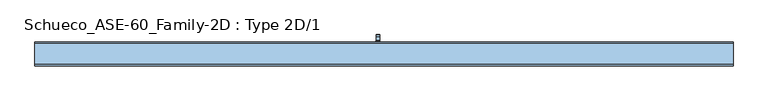
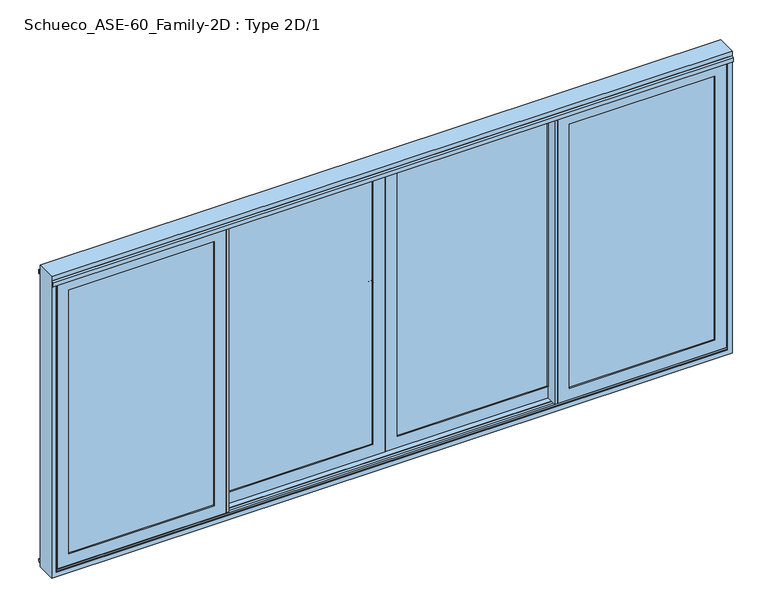
"""IFC4 building model written with IfcOpenShell, lengths in millimetres: window geometry, Schueco_ASE-60_Family-2D : Type 2D/1."""

from ifc_helpers import new_model, si_unit, point, frame, frame_2d, origin, origin_with_axes, place, context, project, spatial, polyline, circle_curve, trimmed, segment, composite_curve, outline, extrude, faceted_brep, source, transform, mapped, element, save
from ifc_brep_helpers import plane_surface, cylinder_surface, revolved_surface, advanced_brep


def schueco_ase_60_family_2d_type_2d_1_142b8bd9(model_context):
    return source(origin(), model_context, "Body", "SolidModel", [
        advanced_brep(
        [(-30.25, 121.9999695, 999.005052), (-54.25, 121.9999695, 999.005052), (-54.25, 121.9999695, 1224.2360009), (-30.25, 121.9999695, 1224.2360009), (-30.25, 73.9999695, 999.005052), (-54.25, 73.9999695, 999.005052), (-30.25, 109.9999695, 999.005052), (-54.25, 109.9999695, 999.005052), (-54.25, 109.9999695, 1214.6494011), (-54.25, 102.6493095, 1222.000061), (-54.25, 81.9999695, 1222.000061), (-54.25, 79.9999695, 1224.000061), (-54.25, 79.9999695, 1235.000061), (-54.25, 81.9999695, 1237.000061), (-54.25, 109.2359094, 1237.000061), (-54.25, 110.6501229, 1236.4142746), (-54.25, 121.414183, 1225.6502145), (-30.25, 121.414183, 1225.6502145), (-30.25, 110.6501229, 1236.4142746), (-30.25, 109.2359094, 1237.000061), (-30.25, 81.9999695, 1237.000061), (-30.25, 79.9999695, 1235.000061), (-30.25, 79.9999695, 1224.000061), (-30.25, 81.9999695, 1222.000061), (-30.25, 102.6493095, 1222.000061), (-30.25, 109.9999695, 1214.6494011)],
        [
            (0, 1, circle_curve(frame((-42.25, 121.9999695, 999.005052), z_axis=(0.0, 1.0, 0.0), x_axis=(-1.0000000000000009, 0.0, 0.0)), 12.0)),
            (1, 2),
            (2, 3),
            (3, 0),
            (4, 5, circle_curve(frame((-42.25, 73.9999695, 999.005052), z_axis=(0.0, -1.0, 0.0), x_axis=(-1.0000000000000009, 0.0, 0.0)), 12.0)),
            (5, 4, circle_curve(frame((-42.25, 73.9999695, 999.005052), z_axis=(0.0, -1.0, 0.0), x_axis=(-1.0000000000000009, 0.0, 0.0)), 12.0)),
            (0, 6),
            (6, 4),
            (5, 7),
            (7, 1),
            (6, 7, circle_curve(frame((-42.25, 109.9999695, 999.005052), z_axis=(0.0, -1.0, 0.0), x_axis=(-1.0000000000000009, 0.0, 0.0)), 12.0)),
            (7, 8),
            (8, 9, circle_curve(frame((-54.25, 102.6493095, 1214.6494011), z_axis=(1.0, 0.0, 0.0), x_axis=(0.0, 0.0, -1.0)), 7.35066)),
            (9, 10),
            (10, 11, circle_curve(frame((-54.25, 81.9999695, 1224.000061), z_axis=(-1.0, 0.0, 0.0), x_axis=(0.0, 0.0, -1.0)), 2.0)),
            (11, 12),
            (12, 13, circle_curve(frame((-54.25, 81.9999695, 1235.000061), z_axis=(-1.0, 0.0, 0.0), x_axis=(0.0, 0.0, -1.0)), 2.0)),
            (13, 14),
            (14, 15, circle_curve(frame((-54.25, 109.2359094, 1235.000061), z_axis=(-1.0, 0.0, 0.0), x_axis=(0.0, 0.0, -1.0)), 2.0)),
            (15, 16),
            (16, 2, circle_curve(frame((-54.25, 119.9999695, 1224.2360009), z_axis=(-1.0, 0.0, 0.0), x_axis=(0.0, 0.0, -1.0)), 2.0)),
            (3, 17, circle_curve(frame((-30.25, 119.9999695, 1224.2360009), z_axis=(1.0, 0.0, 0.0), x_axis=(0.0, 0.0, -1.0)), 2.0)),
            (17, 18),
            (18, 19, circle_curve(frame((-30.25, 109.2359094, 1235.000061), z_axis=(1.0, 0.0, 0.0), x_axis=(0.0, 0.0, -1.0)), 2.0)),
            (19, 20),
            (20, 21, circle_curve(frame((-30.25, 81.9999695, 1235.000061), z_axis=(1.0, 0.0, 0.0), x_axis=(0.0, 0.0, -1.0)), 2.0)),
            (21, 22),
            (22, 23, circle_curve(frame((-30.25, 81.9999695, 1224.000061), z_axis=(1.0, 0.0, 0.0), x_axis=(0.0, 0.0, -1.0)), 2.0)),
            (23, 24),
            (24, 25, circle_curve(frame((-30.25, 102.6493095, 1214.6494011), z_axis=(-1.0, 0.0, 0.0), x_axis=(0.0, 0.0, -1.0)), 7.35066)),
            (25, 6),
            (25, 8),
            (24, 9),
            (23, 10),
            (22, 11),
            (21, 12),
            (20, 13),
            (19, 14),
            (18, 15),
            (17, 16),
        ],
        [
            plane_surface(frame((-54.25, 121.9999695, 999.005052), z_axis=(0.0, 1.0, 0.0), x_axis=(0.0, 0.0, 1.0))),
            plane_surface(frame((-54.25, 73.9999695, 999.005052), z_axis=(0.0, -1.0, 0.0), x_axis=(0.0, 0.0, -1.0))),
            cylinder_surface(frame((-42.25, 73.9999695, 999.005052), z_axis=(0.0, 1.0000000000000009, 0.0), x_axis=(-1.0000000000000009, 0.0, 0.0)), 12.0),
            plane_surface(frame((-54.25, 121.9999695, 1004.7503433), z_axis=(-1.0, 0.0, 0.0), x_axis=(0.0, 0.0, -1.0))),
            plane_surface(frame((-30.25, 121.9999695, 1004.7503433), z_axis=(1.0, 0.0, 0.0), x_axis=(0.0, 0.0, 1.0))),
            plane_surface(frame((-54.25, 109.9999695, 999.0), z_axis=(0.0, -1.0, 0.0), x_axis=(1.0, 0.0, 0.0))),
            revolved_surface(polyline([(-30.25, 102.6493095, 1207.2987411), (-54.25000000000004, 102.6493095, 1207.2987411)]), (-30.25, 102.6493095, 1214.6494011), (1.0000000000000009, 0.0, 0.0)),
            plane_surface(frame((-54.25, 102.6493095, 1222.000061), z_axis=(0.0, 0.0, -1.0), x_axis=(1.0, 0.0, 0.0))),
            cylinder_surface(frame((-30.25, 81.9999695, 1224.000061), z_axis=(-1.0000000000000009, 0.0, 0.0), x_axis=(0.0, 0.0, -1.0)), 2.0),
            plane_surface(frame((-54.25, 79.9999695, 1224.000061), z_axis=(0.0, -1.0, 0.0), x_axis=(1.0, 0.0, 0.0))),
            cylinder_surface(frame((-30.25, 81.9999695, 1235.000061), z_axis=(-1.0000000000000009, 0.0, 0.0), x_axis=(0.0, 0.0, -1.0)), 2.0),
            plane_surface(frame((-54.25, 81.9999695, 1237.000061), z_axis=(0.0, 0.0, 1.0), x_axis=(1.0, 0.0, 0.0))),
            cylinder_surface(frame((-30.25, 109.2359094, 1235.000061), z_axis=(-1.0000000000000009, 0.0, 0.0), x_axis=(0.0, 0.0, -1.0)), 2.0),
            plane_surface(frame((-54.25, 110.6501229, 1236.4142746), z_axis=(0.0, 0.7071067811865419, 0.7071067811865531), x_axis=(1.0, 0.0, 0.0))),
            cylinder_surface(frame((-30.25, 119.9999695, 1224.2360009), z_axis=(-1.0000000000000009, 0.0, 0.0), x_axis=(0.0, 0.0, -1.0)), 2.0),
        ],
        [
            (0, [[1, 2, 3, 4]]),
            (1, [[5, 6]]),
            (2, [[-1, 7, 8, -6, 9, 10]]),
            (2, [[-5, -8, 11, -9]]),
            (3, [[-2, -10, 12, 13, 14, 15, 16, 17, 18, 19, 20, 21]]),
            (4, [[22, 23, 24, 25, 26, 27, 28, 29, 30, 31, -7, -4]]),
            (5, [[-12, -11, -31, 32]]),
            (6, [[-13, -32, -30, 33]]),
            (7, [[-14, -33, -29, 34]]),
            (8, [[-15, -34, -28, 35]]),
            (9, [[-16, -35, -27, 36]]),
            (10, [[-17, -36, -26, 37]]),
            (11, [[-18, -37, -25, 38]]),
            (12, [[-19, -38, -24, 39]]),
            (13, [[-20, -39, -23, 40]]),
            (14, [[-21, -40, -22, -3]]),
        ],
    ),
        extrude(outline(composite_curve([segment(polyline([(917.2823932, -25.5), (1044.0099288, -25.5)]), True, "CONTINUOUS"), segment(trimmed(circle_curve(frame_2d((1044.0099288, -42.25)), 16.75), [point((1044.0099288, -25.5))], [point((1044.0099288, -59.0))], False, "CARTESIAN"), True, "CONTINUOUS"), segment(polyline([(1044.0099288, -59.0), (917.2823932, -59.0)]), True, "CONTINUOUS"), segment(trimmed(circle_curve(frame_2d((917.2823932, -42.25)), 16.75), [point((917.2823932, -59.0))], [point((917.2823932, -25.5))], False, "CARTESIAN"), True, "CONTINUOUS")], self_intersect=False)), frame((0.0, 60.0, 0.0), z_axis=(0.0, 1.0, 0.0), x_axis=(0.0, 0.0, 1.0)), (0.0, 0.0, 1.0), 13.9999695),
        extrude(outline(polyline([(-1194.9983764, -15.9999745), (-1245.9999695, -15.9999745), (-1245.9999695, 60.0), (-1226.0, 60.0), (-1226.0, 54.5), (-1242.1999044, 54.5), (-1242.1999044, 2.55e-05), (-1194.9983764, 2.55e-05), (-1194.9983764, -15.9999745)])), frame((0.0, 0.0, 4.0), z_axis=(0.0, 0.0, 1.0), x_axis=(1.0, 0.0, 0.0)), (0.0, 0.0, 1.0), 2127.0),
        extrude(outline(polyline([(2071.0, -1166.0), (64.0, -1166.0), (64.0, -64.0), (2071.0, -64.0), (2071.0, -1166.0)]), holes=[polyline([(2048.987351, -86.012649), (86.012649, -86.012649), (86.012649, -1143.987351), (2048.987351, -1143.987351), (2048.987351, -86.012649)])]), frame((0.0, 37.0000344, 0.0), z_axis=(0.0, 1.0, 0.0), x_axis=(0.0, 0.0, 1.0)), (0.0, 0.0, 1.0), 22.9999656),
        extrude(outline(polyline([(-64.0, 11.0000344), (-1166.0, 11.0000344), (-1166.0, 37.0000344), (-64.0, 37.0000344), (-64.0, 11.0000344)])), frame((0.0, 0.0, 64.0), z_axis=(0.0, 0.0, 1.0), x_axis=(1.0, 0.0, 0.0)), (0.0, 0.0, 1.0), 2007.0),
        faceted_brep([(-1144.0, 11.0000344, 2049.0), (-1144.0, 2.55e-05, 2049.0), (-1144.0, 2.55e-05, 86.0), (-1144.0, 11.0000344, 86.0), (-1226.0017184, 2.55e-05, 2131.0017184), (-1226.0017184, 2.55e-05, 3.9982816), (-3.9982816, 2.55e-05, 3.9982816), (-3.9982816, 2.55e-05, 2131.0017184), (-86.0, 2.55e-05, 2049.0), (-86.0, 2.55e-05, 86.0), (-86.0, 11.0000344, 86.0), (-64.0, 11.0000344, 2071.0), (-64.0, 11.0000344, 64.0), (-1166.0, 11.0000344, 64.0), (-1166.0, 11.0000344, 2071.0), (-86.0, 11.0000344, 2049.0), (-1166.0, 60.0, 2071.0), (-1166.0, 60.0, 64.0), (-64.0, 60.0, 64.0), (-4.0, 60.0, 2131.0), (-4.0, 60.0, 4.0), (-1226.0, 60.0, 4.0), (-1226.0, 60.0, 2131.0), (-64.0, 60.0, 2071.0), (-1226.0, 54.5, 2131.0), (-1226.0, 54.5, 4.0), (-4.0, 54.5, 4.0), (-4.0, 54.5, 2131.0), (-34.0, 54.5, 2101.0), (-34.0, 54.5, 34.0), (-1196.0, 54.5, 34.0), (-1196.0, 54.5, 2101.0), (-1196.0, 5.4999923, 2101.0), (-1196.0, 5.4999923, 34.0), (-34.0, 5.4999923, 34.0), (-3.9982816, 5.4999923, 2131.0017184), (-3.9982816, 5.4999923, 3.9982816), (-1226.0017184, 5.4999923, 3.9982816), (-1226.0017184, 5.4999923, 2131.0017184), (-34.0, 5.4999923, 2101.0)], [[[0, 1, 2, 3]], [[4, 5, 6, 7], [8, 9, 2, 1]], [[3, 2, 9, 10]], [[11, 12, 13, 14], [0, 3, 10, 15]], [[16, 14, 13, 17]], [[17, 13, 12, 18]], [[19, 20, 21, 22], [16, 17, 18, 23]], [[24, 22, 21, 25]], [[25, 21, 20, 26]], [[24, 25, 26, 27], [28, 29, 30, 31]], [[32, 31, 30, 33]], [[33, 30, 29, 34]], [[35, 36, 37, 38], [32, 33, 34, 39]], [[4, 38, 37, 5]], [[5, 37, 36, 6]], [[10, 9, 8, 15]], [[18, 12, 11, 23]], [[26, 20, 19, 27]], [[34, 29, 28, 39]], [[6, 36, 35, 7]], [[15, 8, 1, 0]], [[23, 11, 14, 16]], [[27, 19, 22, 24]], [[39, 28, 31, 32]], [[7, 35, 38, 4]]]),
        extrude(outline(polyline([(-12.2016228, 54.5), (34.0, 54.5), (34.0, 5.5000255), (-12.2016228, 5.5000255), (-12.2016228, 54.5)])), frame((0.0, 0.0, 34.0), z_axis=(0.0, 0.0, 1.0), x_axis=(1.0, 0.0, 0.0)), (0.0, 0.0, 1.0), 2067.0),
        extrude(outline(polyline([(1194.9983764, -15.9999745), (1194.9983764, 2.55e-05), (1242.1999044, 2.55e-05), (1242.1999044, 54.5), (1226.0, 54.5), (1226.0, 60.0), (1245.9999695, 60.0), (1245.9999695, -15.9999745), (1194.9983764, -15.9999745)])), frame((0.0, 0.0, 4.0), z_axis=(0.0, 0.0, 1.0), x_axis=(1.0, 0.0, 0.0)), (0.0, 0.0, 1.0), 2127.0),
        extrude(outline(polyline([(2071.0, 1166.0), (2071.0, 64.0), (64.0, 64.0), (64.0, 1166.0), (2071.0, 1166.0)]), holes=[polyline([(2048.987351, 86.012649), (2048.987351, 1143.987351), (86.012649, 1143.987351), (86.012649, 86.012649), (2048.987351, 86.012649)])]), frame((0.0, 37.0000344, 0.0), z_axis=(0.0, 1.0, 0.0), x_axis=(0.0, 0.0, 1.0)), (0.0, 0.0, 1.0), 22.9999656),
        extrude(outline(polyline([(64.0, 11.0000344), (64.0, 37.0000344), (1166.0, 37.0000344), (1166.0, 11.0000344), (64.0, 11.0000344)])), frame((0.0, 0.0, 64.0), z_axis=(0.0, 0.0, 1.0), x_axis=(1.0, 0.0, 0.0)), (0.0, 0.0, 1.0), 2007.0),
        faceted_brep([(1144.0, 11.0000344, 2049.0), (1144.0, 11.0000344, 86.0), (1144.0, 2.55e-05, 86.0), (1144.0, 2.55e-05, 2049.0), (1226.0017184, 2.55e-05, 2131.0017184), (3.9982816, 2.55e-05, 2131.0017184), (3.9982816, 2.55e-05, 3.9982816), (1226.0017184, 2.55e-05, 3.9982816), (86.0, 2.55e-05, 2049.0), (86.0, 2.55e-05, 86.0), (86.0, 11.0000344, 86.0), (64.0, 11.0000344, 2071.0), (1166.0, 11.0000344, 2071.0), (1166.0, 11.0000344, 64.0), (64.0, 11.0000344, 64.0), (86.0, 11.0000344, 2049.0), (1166.0, 60.0, 2071.0), (1166.0, 60.0, 64.0), (64.0, 60.0, 64.0), (4.0, 60.0, 2131.0), (1226.0, 60.0, 2131.0), (1226.0, 60.0, 4.0), (4.0, 60.0, 4.0), (64.0, 60.0, 2071.0), (1226.0, 54.5, 2131.0), (1226.0, 54.5, 4.0), (4.0, 54.5, 4.0), (4.0, 54.5, 2131.0), (34.0, 54.5, 2101.0), (1196.0, 54.5, 2101.0), (1196.0, 54.5, 34.0), (34.0, 54.5, 34.0), (1196.0, 5.4999923, 2101.0), (1196.0, 5.4999923, 34.0), (34.0, 5.4999923, 34.0), (3.9982816, 5.4999923, 2131.0017184), (1226.0017184, 5.4999923, 2131.0017184), (1226.0017184, 5.4999923, 3.9982816), (3.9982816, 5.4999923, 3.9982816), (34.0, 5.4999923, 2101.0)], [[[0, 1, 2, 3]], [[4, 5, 6, 7], [8, 3, 2, 9]], [[1, 10, 9, 2]], [[11, 12, 13, 14], [0, 15, 10, 1]], [[16, 17, 13, 12]], [[17, 18, 14, 13]], [[19, 20, 21, 22], [16, 23, 18, 17]], [[24, 25, 21, 20]], [[25, 26, 22, 21]], [[24, 27, 26, 25], [28, 29, 30, 31]], [[32, 33, 30, 29]], [[33, 34, 31, 30]], [[35, 36, 37, 38], [32, 39, 34, 33]], [[4, 7, 37, 36]], [[7, 6, 38, 37]], [[10, 15, 8, 9]], [[18, 23, 11, 14]], [[26, 27, 19, 22]], [[34, 39, 28, 31]], [[6, 5, 35, 38]], [[15, 0, 3, 8]], [[23, 16, 12, 11]], [[27, 24, 20, 19]], [[39, 32, 29, 28]], [[5, 4, 36, 35]]]),
        extrude(outline(polyline([(1143.9983121, -80.0), (1143.9983121, -4.0000255), (1194.9999052, -4.0000255), (1194.9999052, -20.0000255), (1147.7983772, -20.0000255), (1147.7983772, -74.5), (1163.9982816, -74.5), (1163.9982816, -80.0), (1143.9983121, -80.0)])), frame((0.0, 0.0, 3.9982816), z_axis=(0.0, 0.0, 1.0), x_axis=(1.0, 0.0, 0.0)), (0.0, 0.0, 1.0), 2127.0034368),
        extrude(outline(polyline([(2071.0, 1224.0), (64.0, 1224.0), (64.0, 2290.0), (2071.0, 2290.0), (2071.0, 1224.0)]), holes=[polyline([(2048.987351, 2267.987351), (86.012649, 2267.987351), (86.012649, 1246.012649), (2048.987351, 1246.012649), (2048.987351, 2267.987351)])]), frame((0.0, -42.9999911, 0.0), z_axis=(0.0, 1.0, 0.0), x_axis=(0.0, 0.0, 1.0)), (0.0, 0.0, 1.0), 22.9999656),
        extrude(outline(polyline([(2290.0, -68.9999911), (1224.0, -68.9999911), (1224.0, -42.9999911), (2290.0, -42.9999911), (2290.0, -68.9999911)])), frame((0.0, 0.0, 64.0), z_axis=(0.0, 0.0, 1.0), x_axis=(1.0, 0.0, 0.0)), (0.0, 0.0, 1.0), 2007.0),
        faceted_brep([(2350.0, -25.5000255, 2131.0), (2350.0, -20.0000255, 2131.0), (1164.0, -20.0000255, 2131.0), (1164.0, -25.5000255, 2131.0), (1246.0, -68.9999911, 2049.0), (1246.0, -80.0, 2049.0), (1246.0, -80.0, 86.0), (1246.0, -68.9999911, 86.0), (1163.9982816, -80.0, 2131.0017184), (1163.9982816, -80.0, 3.9982816), (2350.0017184, -80.0, 3.9982816), (2350.0017184, -80.0, 2131.0017184), (2268.0, -80.0, 2049.0), (2268.0, -80.0, 86.0), (2268.0, -68.9999911, 86.0), (2290.0, -68.9999911, 2071.0), (2290.0, -68.9999911, 64.0), (1224.0, -68.9999911, 64.0), (1224.0, -68.9999911, 2071.0), (2268.0, -68.9999911, 2049.0), (1224.0, -20.0000255, 2071.0), (1224.0, -20.0000255, 64.0), (2290.0, -20.0000255, 64.0), (2350.0, -20.0000255, 4.0), (1164.0, -20.0000255, 4.0), (2290.0, -20.0000255, 2071.0), (1164.0, -25.5000255, 4.0), (2350.0, -25.5000255, 4.0), (2320.0, -25.5000255, 2101.0), (2320.0, -25.5000255, 34.0), (1194.0, -25.5000255, 34.0), (1194.0, -25.5000255, 2101.0), (1194.0, -74.5000332, 2101.0), (1194.0, -74.5000332, 34.0), (2350.0017184, -74.5000332, 2131.0017184), (2350.0017184, -74.5000332, 3.9982816), (1163.9982816, -74.5000332, 3.9982816), (1163.9982816, -74.5000332, 2131.0017184), (2320.0, -74.5000332, 34.0), (2320.0, -74.5000332, 2101.0)], [[[0, 1, 2, 3]], [[4, 5, 6, 7]], [[8, 9, 10, 11], [12, 13, 6, 5]], [[7, 6, 13, 14]], [[15, 16, 17, 18], [4, 7, 14, 19]], [[20, 18, 17, 21]], [[21, 17, 16, 22]], [[1, 23, 24, 2], [20, 21, 22, 25]], [[3, 2, 24, 26]], [[26, 24, 23, 27]], [[3, 26, 27, 0], [28, 29, 30, 31]], [[32, 31, 30, 33]], [[34, 35, 36, 37], [32, 33, 38, 39]], [[8, 37, 36, 9]], [[27, 23, 1, 0]], [[19, 12, 5, 4]], [[25, 15, 18, 20]], [[33, 30, 29, 38]], [[9, 36, 35, 10]], [[14, 13, 12, 19]], [[22, 16, 15, 25]], [[38, 29, 28, 39]], [[10, 35, 34, 11]], [[39, 28, 31, 32]], [[11, 34, 37, 8]]]),
        extrude(outline(polyline([(-1143.9983121, -80.0), (-1163.9982816, -80.0), (-1163.9982816, -74.5), (-1147.7983772, -74.5), (-1147.7983772, -20.0000255), (-1194.9999052, -20.0000255), (-1194.9999052, -4.0000255), (-1143.9983121, -4.0000255), (-1143.9983121, -80.0)])), frame((0.0, 0.0, 3.9982816), z_axis=(0.0, 0.0, 1.0), x_axis=(1.0, 0.0, 0.0)), (0.0, 0.0, 1.0), 2127.0034368),
        extrude(outline(polyline([(2071.0, -1224.0), (2071.0, -2290.0), (64.0, -2290.0), (64.0, -1224.0), (2071.0, -1224.0)]), holes=[polyline([(2048.987351, -2267.987351), (2048.987351, -1246.012649), (86.012649, -1246.012649), (86.012649, -2267.987351), (2048.987351, -2267.987351)])]), frame((0.0, -42.9999911, 0.0), z_axis=(0.0, 1.0, 0.0), x_axis=(0.0, 0.0, 1.0)), (0.0, 0.0, 1.0), 22.9999656),
        extrude(outline(polyline([(-2290.0, -68.9999911), (-2290.0, -42.9999911), (-1224.0, -42.9999911), (-1224.0, -68.9999911), (-2290.0, -68.9999911)])), frame((0.0, 0.0, 64.0), z_axis=(0.0, 0.0, 1.0), x_axis=(1.0, 0.0, 0.0)), (0.0, 0.0, 1.0), 2007.0),
        faceted_brep([(-2350.0, -25.5000255, 2131.0), (-1164.0, -25.5000255, 2131.0), (-1164.0, -20.0000255, 2131.0), (-2350.0, -20.0000255, 2131.0), (-1246.0, -68.9999911, 2049.0), (-1246.0, -68.9999911, 86.0), (-1246.0, -80.0, 86.0), (-1246.0, -80.0, 2049.0), (-1163.9982816, -80.0, 2131.0017184), (-2350.0017184, -80.0, 2131.0017184), (-2350.0017184, -80.0, 3.9982816), (-1163.9982816, -80.0, 3.9982816), (-2268.0, -80.0, 2049.0), (-2268.0, -80.0, 86.0), (-2268.0, -68.9999911, 86.0), (-2290.0, -68.9999911, 2071.0), (-1224.0, -68.9999911, 2071.0), (-1224.0, -68.9999911, 64.0), (-2290.0, -68.9999911, 64.0), (-2268.0, -68.9999911, 2049.0), (-1224.0, -20.0000255, 2071.0), (-1224.0, -20.0000255, 64.0), (-2290.0, -20.0000255, 64.0), (-1164.0, -20.0000255, 4.0), (-2350.0, -20.0000255, 4.0), (-2290.0, -20.0000255, 2071.0), (-1164.0, -25.5000255, 4.0), (-2350.0, -25.5000255, 4.0), (-2320.0, -25.5000255, 2101.0), (-1194.0, -25.5000255, 2101.0), (-1194.0, -25.5000255, 34.0), (-2320.0, -25.5000255, 34.0), (-1194.0, -74.5000332, 2101.0), (-1194.0, -74.5000332, 34.0), (-2350.0017184, -74.5000332, 2131.0017184), (-1163.9982816, -74.5000332, 2131.0017184), (-1163.9982816, -74.5000332, 3.9982816), (-2350.0017184, -74.5000332, 3.9982816), (-2320.0, -74.5000332, 2101.0), (-2320.0, -74.5000332, 34.0)], [[[0, 1, 2, 3]], [[4, 5, 6, 7]], [[8, 9, 10, 11], [12, 7, 6, 13]], [[5, 14, 13, 6]], [[15, 16, 17, 18], [4, 19, 14, 5]], [[20, 21, 17, 16]], [[21, 22, 18, 17]], [[3, 2, 23, 24], [20, 25, 22, 21]], [[1, 26, 23, 2]], [[26, 27, 24, 23]], [[1, 0, 27, 26], [28, 29, 30, 31]], [[32, 33, 30, 29]], [[34, 35, 36, 37], [32, 38, 39, 33]], [[8, 11, 36, 35]], [[27, 0, 3, 24]], [[19, 4, 7, 12]], [[25, 20, 16, 15]], [[33, 39, 31, 30]], [[11, 10, 37, 36]], [[14, 19, 12, 13]], [[22, 25, 15, 18]], [[39, 38, 28, 31]], [[10, 9, 34, 37]], [[38, 32, 29, 28]], [[9, 8, 35, 34]]]),
        extrude(outline(polyline([(-2339.0, -15.0), (-2358.0007202, -15.0), (-2358.0007202, -11.0), (-2342.0, -11.0), (-2342.0, 48.2882381), (-2350.0, 51.2), (-2350.0, 60.0), (-2339.0, 60.0), (-2339.0, -15.0)])), origin_with_axes(), (0.0, 0.0, 1.0), 2157.5),
        extrude(outline(polyline([(2339.0, -15.0), (2339.0, 60.0), (2350.0, 60.0), (2350.0, 51.2), (2342.0, 48.2882381), (2342.0, -11.0), (2358.0007202, -11.0), (2358.0007202, -15.0), (2339.0, -15.0)])), origin_with_axes(), (0.0, 0.0, 1.0), 2157.5),
        faceted_brep([(2390.0, -80.0, -51.0), (-2390.0, -80.0, -51.0), (-2390.0, 60.0, -51.0), (2390.0, 60.0, -51.0), (2390.0, 60.0, 2190.0), (2390.0, -80.0, 2190.0), (-2390.0, 60.0, 2190.0), (-2358.0, 60.0, -19.0), (2358.0, 60.0, -19.0), (2358.0, 60.0, 2157.5), (-2358.0, 60.0, 2157.5), (-2390.0, -80.0, 2190.0), (-2358.0, 51.2000255, 2157.5), (-2358.0, 51.2000255, -19.0), (2358.0, 51.2000255, 2157.5), (2358.0, 51.2000255, -19.0), (2342.0, 11.7120495, -3.0), (2342.0, 11.7120495, 2122.0), (2342.0, 48.2882636, 2122.0), (2342.0, 48.2882636, -3.00007), (2342.0, 48.2882636, 2130.9117364), (2342.0, 44.2, 2135.0), (2342.0, 44.2, 2142.0), (2342.0, 48.2882636, 2142.0), (2342.0, 11.7120495, 2155.2007202), (2342.0, 15.8, 2155.2007202), (2342.0, 15.8, 2135.0), (2342.0, 11.7120495, 2130.9120495), (-2342.0, 48.2882384, -3.0), (-2342.0, 11.7120243, -3.0), (2346.7029571, 50.0, 2122.0), (2346.7029571, 50.0, 2129.2), (2350.0, 51.2000255, 2150.0), (2350.0, 51.2000255, -11.00007), (2350.0007202, 8.8000255, -11.0006502), (2350.0007202, 8.8000255, 2155.2007202), (2346.7038173, 10.0, 2129.2), (2346.7038173, 10.0, 2122.0), (-2350.0, 51.2000255, 2150.0), (-2350.0, 51.2000255, -11.00007), (-2341.9999999, 48.2882636, 2141.9999999), (-2341.9999998, 48.2882635, 2130.9117371), (-2346.7029571, 50.0, 2129.2), (-2346.7029571, 50.0, 2122.0), (-2341.9999997, 48.2882635, 2122.0), (-2350.0007202, 8.8000255, -11.0006502), (-2350.0007202, 8.8000255, 2155.2007202), (-2358.0007202, 8.8000255, 2155.2007202), (-2358.0007202, 8.8000255, -19.0007202), (2358.0007202, 8.8000255, -19.0007202), (2358.0007202, 8.8000255, 2155.2007202), (2358.0007202, -28.7999745, -19.0007202), (2358.0007202, -28.7999745, 2155.2007202), (-2358.0007202, -28.7999745, -19.0007202), (-2358.0007202, -28.7999745, 2155.2007202), (-2342.0000003, 11.7120494, 2122.0), (-2346.7038173, 10.0, 2122.0), (-2346.7038173, 10.0, 2129.2), (-2342.0000002, 11.7120494, 2130.9120494), (-2342.0000001, 11.7120494, 2155.2007202), (2350.0007202, -28.7999745, -11.0007902), (2350.0007202, -28.7999745, 2155.2007202), (-2350.0007202, -28.7999745, 2155.2007202), (-2350.0007202, -28.7999745, -11.0007902), (-2341.9999304, -31.7120239, -3.0000004), (2342.0, -31.712021, -3.0000082), (-2341.9999989, -31.7119989, 2155.2007202), (-2341.9999981, -31.7119992, 2130.9119992), (-2346.7036773, -30.0, 2129.2), (-2346.7036773, -30.0, 2122.0), (-2341.9999979, -31.7119993, 2122.0), (2342.0, -31.7119985, 2122.0), (2346.7036773, -30.0, 2122.0), (2346.7036773, -30.0, 2129.2), (2342.0, -31.7119985, 2130.9119985), (2342.0, -31.7119985, 2155.2007202), (2342.0, -68.2882381, -3.0), (2342.0, -68.2882381, 2122.0), (2342.0, -35.8, 2135.0), (2342.0, -35.8, 2155.2007202), (2342.0, -68.2882381, 2142.0), (2342.0, -64.2, 2142.0), (2342.0, -64.2, 2135.0), (2342.0, -68.2882381, 2130.9117619), (-2342.0, -68.2882381, -3.0), (2350.0, -71.2, -11.0), (2350.0, -71.2, 2150.0), (2346.7030271, -70.0, 2129.2), (2346.7030271, -70.0, 2122.0), (-2350.0, -71.2, -11.0), (2358.0, -71.2, -19.0), (2358.0, -71.2, 2157.5), (-2358.0, -71.2, 2157.5), (-2358.0, -71.2, -19.0), (-2350.0, -71.2, 2150.0), (-2342.0, -68.2882381, 2122.0), (-2346.7030271, -70.0, 2122.0), (-2346.7030271, -70.0, 2129.2), (-2342.0, -68.2882381, 2130.9117619), (-2342.0, -68.2882381, 2142.0), (-2358.0, -80.0, -19.0), (2358.0, -80.0, -19.0), (-2358.0, -80.0, 2157.5), (2358.0, -80.0, 2157.5), (-2342.0, -35.8, 2155.2007202), (-2342.0, -35.8, 2135.0), (-2342.0, -64.2, 2135.0), (-2342.0, -64.2, 2142.0), (-2342.0, 44.2, 2142.0), (-2342.0, 44.2, 2135.0), (-2342.0, 15.8, 2135.0), (-2342.0, 15.8, 2155.2007202)], [[[0, 1, 2, 3]], [[0, 3, 4, 5]], [[4, 3, 2, 6], [7, 8, 9, 10]], [[11, 6, 2, 1]], [[7, 10, 12, 13]], [[14, 9, 8, 15]], [[8, 7, 13, 15]], [[16, 17, 18, 19]], [[20, 21, 22, 23]], [[24, 25, 26, 27]], [[19, 28, 29, 16]], [[19, 18, 30, 31, 20, 23, 32, 33]], [[34, 35, 24, 27, 36, 37, 17, 16]], [[13, 12, 14, 15], [33, 32, 38, 39]], [[33, 39, 28, 19]], [[39, 38, 40, 41, 42, 43, 44, 28]], [[16, 29, 45, 34]], [[45, 46, 47, 48, 49, 50, 35, 34]], [[51, 52, 50, 49]], [[49, 48, 53, 51]], [[48, 47, 54, 53]], [[29, 55, 56, 57, 58, 59, 46, 45]], [[60, 61, 52, 51, 53, 54, 62, 63]], [[60, 63, 64, 65]], [[63, 62, 66, 67, 68, 69, 70, 64]], [[65, 71, 72, 73, 74, 75, 61, 60]], [[76, 77, 71, 65]], [[74, 78, 79, 75]], [[80, 81, 82, 83]], [[65, 64, 84, 76]], [[85, 86, 80, 83, 87, 88, 77, 76]], [[76, 84, 89, 85]], [[90, 91, 92, 93], [89, 94, 86, 85]], [[84, 95, 96, 97, 98, 99, 94, 89]], [[90, 93, 100, 101]], [[92, 102, 100, 93]], [[101, 103, 91, 90]], [[64, 70, 95, 84]], [[66, 104, 105, 67]], [[98, 106, 107, 99]], [[28, 44, 55, 29]], [[40, 108, 109, 41]], [[58, 110, 111, 59]], [[4, 6, 11, 5]], [[9, 14, 12, 10]], [[56, 55, 44, 43, 30, 18, 17, 37]], [[110, 58, 57, 36, 27, 26]], [[111, 110, 26, 25]], [[104, 66, 62, 54, 47, 46, 59, 111, 25, 24, 35, 50, 52, 61, 75, 79]], [[23, 22, 108, 40]], [[109, 108, 22, 21]], [[42, 41, 109, 21, 20, 31]], [[40, 38, 32, 23]], [[43, 42, 31, 30]], [[57, 56, 37, 36]], [[68, 67, 105, 78, 74, 73]], [[69, 68, 73, 72]], [[96, 95, 70, 69, 72, 71, 77, 88]], [[105, 104, 79, 78]], [[106, 98, 97, 87, 83, 82]], [[107, 106, 82, 81]], [[99, 107, 81, 80]], [[97, 96, 88, 87]], [[94, 99, 80, 86]], [[91, 103, 102, 92]], [[11, 1, 0, 5], [101, 100, 102, 103]]]),
        extrude(outline(polyline([(73.0, -2.0), (73.0, -15.2), (66.4, -21.8), (60.0, -21.8), (60.0, -2.0), (73.0, -2.0)])), frame((-2390.0, 0.0, 0.0), z_axis=(1.0, 0.0, 0.0), x_axis=(0.0, 1.0, 0.0)), (0.0, 0.0, 1.0), 4780.0),
        extrude(outline(polyline([(51.2000255, 2150.5), (51.2000255, 2157.5), (59.9996967, 2157.5), (72.6000233, 2150.225198), (72.6000233, 2121.5), (71.0000233, 2121.5), (71.0000233, 2149.0706861), (68.5243789, 2150.5), (51.2000255, 2150.5)])), frame((-2390.0, 0.0, 0.0), z_axis=(1.0, 0.0, 0.0), x_axis=(0.0, 1.0, 0.0)), (0.0, 0.0, 1.0), 4780.0),
        extrude(outline(polyline([(-71.2000255, 2150.5), (-88.5243789, 2150.5), (-91.0000233, 2149.0706861), (-91.0000233, 2121.5), (-92.6000233, 2121.5), (-92.6000233, 2150.225198), (-79.9996967, 2157.5), (-71.2000255, 2157.5), (-71.2000255, 2150.5)])), frame((-2390.0, 0.0, 0.0), z_axis=(1.0, 0.0, 0.0), x_axis=(0.0, 1.0, 0.0)), (0.0, 0.0, 1.0), 4780.0),
        extrude(outline(polyline([(-28.7999745, -11.0007902), (-31.712024, -3.0), (-38.0000255, -3.0), (-38.0000255, 0.0), (18.0, 0.0), (18.0, -2.9999628), (11.7120375, -2.9999628), (8.8000255, -11.0006502), (8.8000255, -19.0007202), (-28.7999745, -19.0007202), (-28.7999745, -11.0007902)])), frame((-2358.0007202, 0.0, 0.0), z_axis=(1.0, 0.0, 0.0), x_axis=(0.0, 1.0, 0.0)), (0.0, 0.0, 1.0), 4716.0014404),
        extrude(outline(polyline([(-80.0, -11.0), (-80.0, 0.0), (-62.0000255, 0.0), (-62.0000255, -3.0), (-68.2882381, -3.0), (-71.2, -11.0), (-80.0, -11.0)])), frame((-2358.0007202, 0.0, 0.0), z_axis=(1.0, 0.0, 0.0), x_axis=(0.0, 1.0, 0.0)), (0.0, 0.0, 1.0), 4716.0014404),
        extrude(outline(polyline([(48.2882246, -2.9999628), (42.0, -2.9999628), (42.0, 0.0), (60.0, 0.0), (60.0, -19.0007202), (51.2000255, -19.0007202), (51.2000255, -11.00007), (48.2882246, -2.9999628)])), frame((-2358.0007202, 0.0, 0.0), z_axis=(1.0, 0.0, 0.0), x_axis=(0.0, 1.0, 0.0)), (0.0, 0.0, 1.0), 4716.0014404),
    ])


if __name__ == "__main__":
    model = new_model("IFC4")
    model_context = context("Model", 3, world=origin())
    ifc_project = project(units=[si_unit("LENGTHUNIT", "METRE", prefix="MILLI")], contexts=[model_context])
    site = spatial("IfcSite", under=ifc_project)
    building = spatial("IfcBuilding", under=site)
    placement = place(None, origin())
    schueco_ase_60_family_2d_type_2d_1_shape = schueco_ase_60_family_2d_type_2d_1_142b8bd9(model_context)
    element("IfcWindow", 1, ObjectType="Schueco_ASE-60_Family-2D : Type 2D/1", at=placement, inside=building, context=model_context, shape_type="MappedRepresentation", body=[
        mapped(schueco_ase_60_family_2d_type_2d_1_shape, transform((0.0, 0.0, 0.0), x_axis=(1.0, 0.0, 0.0), y_axis=(0.0, 1.0, 0.0), z_axis=(0.0, 0.0, 1.0))),
    ])
    save(model, "model.ifc")
